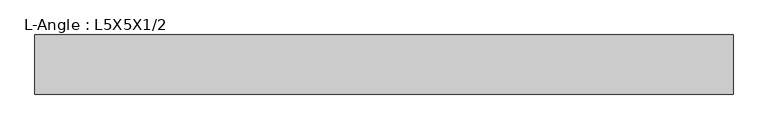
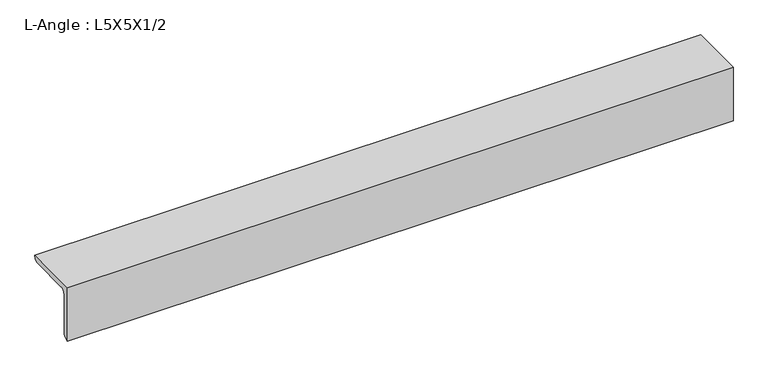
"""IFC4 building model written with IfcOpenShell, lengths in millimetres: beam geometry, L-Angle : L5X5X1/2."""

from ifc_helpers import new_model, si_unit, point, frame, frame_2d, origin, place, context, project, spatial, polyline, circle_curve, trimmed, segment, composite_curve, outline, extrude, source, transform, mapped, element, save


def l_angle_l5x5x1_2_07b38dd1(model_context):
    return source(origin(), model_context, "Body", "SweptSolid", [
        extrude(outline(composite_curve([segment(polyline([(-36.068, 36.068), (90.932, 36.068)]), True, "CONTINUOUS"), segment(trimmed(circle_curve(frame_2d((78.232, 36.068)), 12.7), [point((90.932, 36.068))], [point((78.232, 23.368))], False, "CARTESIAN"), True, "CONTINUOUS"), segment(polyline([(78.232, 23.368), (-10.668, 23.368)]), True, "CONTINUOUS"), segment(trimmed(circle_curve(frame_2d((-10.668, 10.668)), 12.7), [point((-10.668, 23.368))], [point((-23.368, 10.668))], True, "CARTESIAN"), True, "CONTINUOUS"), segment(polyline([(-23.368, 10.668), (-23.368, -78.232)]), True, "CONTINUOUS"), segment(trimmed(circle_curve(frame_2d((-36.068, -78.232)), 12.7), [point((-23.368, -78.232))], [point((-36.068, -90.932))], False, "CARTESIAN"), True, "CONTINUOUS"), segment(polyline([(-36.068, -90.932), (-36.068, 36.068)]), True, "CONTINUOUS")], self_intersect=False)), frame((-780.3459034, 0.0, 0.0), z_axis=(1.0, 0.0, 0.0), x_axis=(0.0, 1.0, 0.0)), (0.0, 0.0, 1.0), 1498.8071654),
    ])


if __name__ == "__main__":
    model = new_model("IFC4")
    model_context = context("Model", 3, world=origin())
    ifc_project = project(units=[si_unit("LENGTHUNIT", "METRE", prefix="MILLI")], contexts=[model_context])
    site = spatial("IfcSite", under=ifc_project)
    building = spatial("IfcBuilding", under=site)
    placement = place(None, origin())
    l_angle_l5x5x1_2_shape = l_angle_l5x5x1_2_07b38dd1(model_context)
    element("IfcBeam", 1, ObjectType="L-Angle : L5X5X1/2", at=placement, inside=building, context=model_context, shape_type="MappedRepresentation", body=[
        mapped(l_angle_l5x5x1_2_shape, transform((0.0, 0.0, 0.0), x_axis=(1.0, 0.0, 0.0), y_axis=(0.0, 1.0, 0.0), z_axis=(0.0, 0.0, 1.0))),
    ])
    save(model, "model.ifc")
